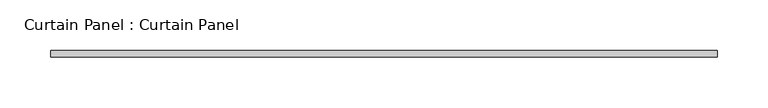
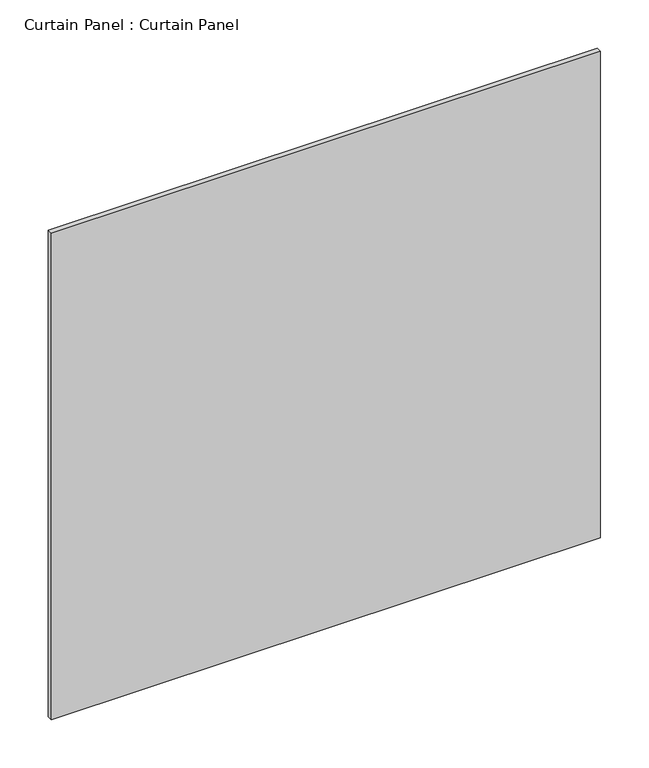
"""IFC4 building model written with IfcOpenShell, lengths in millimetres: plate geometry, Curtain Panel : Curtain Panel."""

from ifc_helpers import new_model, si_unit, frame, origin, place, context, project, spatial, polyline, outline, extrude, source, transform, mapped, element, save


def curtain_panel_curtain_panel_03b7d516(model_context):
    return source(origin(), model_context, "Body", "SweptSolid", [
        extrude(outline(polyline([(6123.8520464, 3568.3617926), (5467.6637663, 3568.3617926), (5467.6637663, 3574.7117926), (6123.8520464, 3574.7117926), (6123.8520464, 3568.3617926)])), frame((0.0, 0.0, 39.798625), z_axis=(0.0, 0.0, 1.0), x_axis=(1.0, 0.0, 0.0)), (0.0, 0.0, 1.0), 614.6694167),
    ])


if __name__ == "__main__":
    model = new_model("IFC4")
    model_context = context("Model", 3, world=origin())
    ifc_project = project(units=[si_unit("LENGTHUNIT", "METRE", prefix="MILLI")], contexts=[model_context])
    site = spatial("IfcSite", under=ifc_project)
    building = spatial("IfcBuilding", under=site)
    placement = place(None, origin())
    curtain_panel_curtain_panel_shape = curtain_panel_curtain_panel_03b7d516(model_context)
    element("IfcPlate", 1, ObjectType="Curtain Panel : Curtain Panel", at=placement, inside=building, context=model_context, shape_type="MappedRepresentation", body=[
        mapped(curtain_panel_curtain_panel_shape, transform((0.0, 0.0, 0.0), x_axis=(1.0, 0.0, 0.0), y_axis=(0.0, 1.0, 0.0), z_axis=(0.0, 0.0, 1.0))),
    ])
    save(model, "model.ifc")
